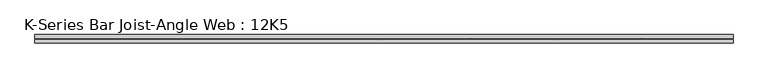
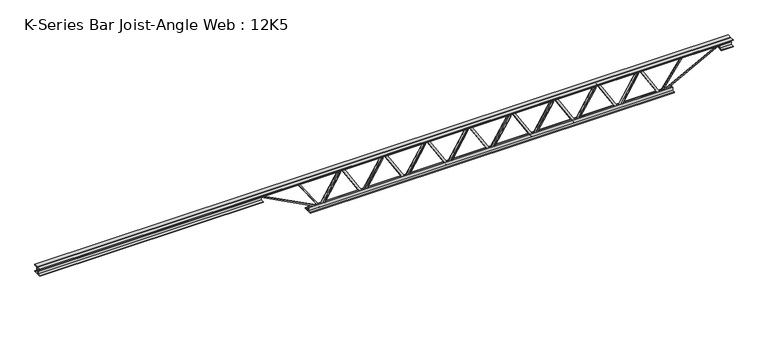
"""IFC4 building model written with IfcOpenShell, lengths in millimetres: beam geometry, K-Series Bar Joist-Angle Web : 12K5."""

import ifcopenshell
import ifcopenshell.guid

model = None  # the IFC model being written
_history = None  # IfcOwnerHistory: only IFC2X3 demands one
_inside = {}  # id of a spatial element -> (the spatial element, [elements in it])
_under = {}  # id of a project, library or spatial element -> (it, [spatial elements below it])
_declared = {}  # id of a project -> (the project, [libraries it declares])
_typed = {}  # id of a type object -> (the type object, [elements of that type])
_made_of = {}  # id of a material, layer set ... -> (it, [elements and type objects made of it])


def new_model(schema):
    """Start an empty IFC model of exactly this schema.

    Asked for "IFC4X3", IfcOpenShell would pick the latest addendum, in which some entities
    have other attributes; the version numbers below select the first issue.
    IFC2X3 requires an IfcOwnerHistory on every rooted entity: one is made here for all.
    """
    global model, _history
    if schema == "IFC4X3":
        model = ifcopenshell.file(schema_version=(4, 3, 0, 0))
    else:
        model = ifcopenshell.file(schema=schema)
    _inside.clear()
    _under.clear()
    _declared.clear()
    _typed.clear()
    _made_of.clear()
    _history = None
    if model.schema == "IFC2X3":
        org = make("IfcOrganization", Name="unknown")
        user = make(
            "IfcPersonAndOrganization",
            ThePerson=make("IfcPerson", FamilyName="unknown"),
            TheOrganization=org,
        )
        app = make(
            "IfcApplication",
            ApplicationDeveloper=org,
            Version="unknown",
            ApplicationFullName="unknown",
            ApplicationIdentifier="unknown",
        )
        _history = make(
            "IfcOwnerHistory",
            OwningUser=user,
            OwningApplication=app,
            ChangeAction="ADDED",
            CreationDate=0,
        )
    return model


def make(cls, **values):
    """One entity of the class cls with the attributes given. An attribute that is None is left unset."""
    return model.create_entity(
        cls, **{name: value for name, value in values.items() if value is not None}
    )


def rooted(cls, **values):
    """An entity with a GlobalId (a new one), such as an element, a storey or a relation."""
    return make(cls, GlobalId=ifcopenshell.guid.new(), OwnerHistory=_history, **values)


def si_unit(unit_type, name, prefix=None):
    """IfcSIUnit, for example si_unit("LENGTHUNIT", "METRE", prefix="MILLI")."""
    return make("IfcSIUnit", UnitType=unit_type, Prefix=prefix, Name=name)


def assignment(units):
    """IfcUnitAssignment: the units of a project."""
    return None if units is None else make("IfcUnitAssignment", Units=units)


def point(xyz):
    """IfcCartesianPoint."""
    return None if xyz is None else make("IfcCartesianPoint", Coordinates=xyz)


def direction(xyz):
    """IfcDirection."""
    return None if xyz is None else make("IfcDirection", DirectionRatios=xyz)


def frame(location, z_axis=None, x_axis=None):
    """IfcAxis2Placement3D, a coordinate frame: its origin and axes. An axis left out is left unset."""
    return make(
        "IfcAxis2Placement3D",
        Location=point(location),
        Axis=direction(z_axis),
        RefDirection=direction(x_axis),
    )


def origin():
    """The frame at (0, 0, 0) with its axes left unset."""
    return frame((0.0, 0.0, 0.0))


def place(relative_to, where):
    """IfcLocalPlacement: puts the frame where relative to a parent placement (None: the world)."""
    return make(
        "IfcLocalPlacement", PlacementRelTo=relative_to, RelativePlacement=where
    )


def context(
    kind, dimensions, precision=None, world=None, true_north=None, identifier=None
):
    """IfcGeometricRepresentationContext, for example the 3D "Model" context."""
    return make(
        "IfcGeometricRepresentationContext",
        ContextIdentifier=identifier,
        ContextType=kind,
        CoordinateSpaceDimension=dimensions,
        Precision=precision,
        WorldCoordinateSystem=world,
        TrueNorth=true_north,
    )


def project(units=None, contexts=None):
    """IfcProject with its units and contexts."""
    return rooted(
        "IfcProject",
        Name="project",
        RepresentationContexts=contexts,
        UnitsInContext=assignment(units),
    )


def spatial(cls, under=None, at=None, **own):
    """A site, building, storey or space (cls), placed at a placement, below another one or the project."""
    s = rooted(cls, ObjectPlacement=at, **own)
    if under is not None:
        _under.setdefault(under.id(), (under, []))[1].append(s)
    return s


def polyline(points):
    """IfcPolyline through the points."""
    return make("IfcPolyline", Points=[point(p) for p in points])


def outline(outer, holes=None, kind="AREA"):
    """IfcArbitraryClosedProfileDef: a profile drawn as a closed curve; with holes, ...WithVoids."""
    if holes is None:
        return make("IfcArbitraryClosedProfileDef", ProfileType=kind, OuterCurve=outer)
    return make(
        "IfcArbitraryProfileDefWithVoids",
        ProfileType=kind,
        OuterCurve=outer,
        InnerCurves=holes,
    )


def extrude(swept, where, along, depth):
    """IfcExtrudedAreaSolid: the profile swept, set in the frame where, extruded along a direction by depth."""
    return make(
        "IfcExtrudedAreaSolid",
        SweptArea=swept,
        Position=where,
        ExtrudedDirection=direction(along),
        Depth=depth,
    )


def faces_of(points, faces, orient=None, outer=None):
    """IfcFace entities. A face is a list of loops; a loop is a list of indices into points, from 0.

    orient and outer hold one flag for each loop. By default every Orientation is true, the
    first loop of a face is its IfcFaceOuterBound and the others are IfcFaceBound.
    """
    made = []
    for i, loops in enumerate(faces):
        bounds = []
        for j, loop in enumerate(loops):
            is_outer = j == 0 if outer is None else outer[i][j]
            bounds.append(
                make(
                    "IfcFaceOuterBound" if is_outer else "IfcFaceBound",
                    Bound=make("IfcPolyLoop", Polygon=[points[k] for k in loop]),
                    Orientation=True if orient is None else orient[i][j],
                )
            )
        made.append(make("IfcFace", Bounds=bounds))
    return made


def faceted_brep(points, faces, orient=None, outer=None, voids=None):
    """IfcFacetedBrep: a solid bounded by flat faces; with voids (closed shells), ...WithVoids."""
    shared = [point(p) for p in points]
    hull = make("IfcClosedShell", CfsFaces=faces_of(shared, faces, orient, outer))
    if voids is None:
        return make("IfcFacetedBrep", Outer=hull)
    return make(
        "IfcFacetedBrepWithVoids",
        Outer=hull,
        Voids=[
            make(cls, CfsFaces=faces_of(shared, fs, o, b)) for cls, fs, o, b in voids
        ],
    )


def shape(context_of_items, identifier, shape_type, items):
    """IfcShapeRepresentation: the items that make up one representation, for example the "Body"."""
    return make(
        "IfcShapeRepresentation",
        ContextOfItems=context_of_items,
        RepresentationIdentifier=identifier,
        RepresentationType=shape_type,
        Items=items,
    )


def source(mapping_origin, context_of_items, identifier, shape_type, items):
    """IfcRepresentationMap: a shape defined once, which mapped items show again and again."""
    return make(
        "IfcRepresentationMap",
        MappingOrigin=mapping_origin,
        MappedRepresentation=shape(context_of_items, identifier, shape_type, items),
    )


def transform(
    local_origin,
    x_axis=None,
    y_axis=None,
    z_axis=None,
    scale=None,
    scale2=None,
    scale3=None,
    uniform=True,
):
    """IfcCartesianTransformationOperator3D, or its non-uniform kind. x_axis, y_axis, z_axis: its Axis1, 2, 3."""
    if uniform:
        return make(
            "IfcCartesianTransformationOperator3D",
            Axis1=direction(x_axis),
            Axis2=direction(y_axis),
            LocalOrigin=point(local_origin),
            Scale=scale,
            Axis3=direction(z_axis),
        )
    return make(
        "IfcCartesianTransformationOperator3DnonUniform",
        Axis1=direction(x_axis),
        Axis2=direction(y_axis),
        LocalOrigin=point(local_origin),
        Scale=scale,
        Axis3=direction(z_axis),
        Scale2=scale2,
        Scale3=scale3,
    )


def mapped(mapping_source, mapping_target):
    """IfcMappedItem: shows the shape of a source again, moved by a transform."""
    return make(
        "IfcMappedItem", MappingSource=mapping_source, MappingTarget=mapping_target
    )


def made_of(thing, what):
    """Note that an element or type object is made of a material, layer set ...; save() writes the relation."""
    if what is not None:
        _made_of.setdefault(what.id(), (what, []))[1].append(thing)
    return thing


def element(
    cls,
    number,
    at=None,
    inside=None,
    cuts=None,
    type_object=None,
    material=None,
    context=None,
    identifier="Body",
    shape_type=None,
    held_by="IfcProductDefinitionShape",
    body=None,
    shapes=None,
    **own,
):
    """One element of the class cls, such as IfcWall. Its Tag is "e" and its number.

    at: its placement. inside: the storey or other place that contains it. cuts: it is an
    opening in that element (IfcRelVoidsElement). A single representation is given by context,
    identifier, shape_type and body (its items); several are given by shapes. held_by: the class
    of the entity that holds the representations. save() writes the other relations.
    """
    e = rooted(cls, Tag="e%d" % number, ObjectPlacement=at, **own)
    if body is not None:
        shapes = [shape(context, identifier, shape_type, body)]
    if shapes is not None:
        e.Representation = make(held_by, Representations=shapes)
    if inside is not None:
        _inside.setdefault(inside.id(), (inside, []))[1].append(e)
    if cuts is not None:
        rooted(
            "IfcRelVoidsElement", RelatingBuildingElement=cuts, RelatedOpeningElement=e
        )
    if type_object is not None:
        _typed.setdefault(type_object.id(), (type_object, []))[1].append(e)
    return made_of(e, material)


def aggregate(whole, parts):
    """IfcRelAggregates: a whole, such as a stair, and the parts it consists of."""
    return rooted("IfcRelAggregates", RelatingObject=whole, RelatedObjects=parts)


def save(model, path):
    """Write the relations noted so far, then the file.

    IfcRelAggregates (storeys below a building ...), IfcRelContainedInSpatialStructure (elements
    in a storey), IfcRelDefinesByType, IfcRelAssociatesMaterial and IfcRelDeclares: one each for
    every whole, place, type object, material and project.
    """
    for whole, parts in _under.values():
        aggregate(whole, parts)
    for where, things in _inside.values():
        rooted(
            "IfcRelContainedInSpatialStructure",
            RelatedElements=things,
            RelatingStructure=where,
        )
    for kind, things in _typed.values():
        rooted("IfcRelDefinesByType", RelatedObjects=things, RelatingType=kind)
    for what, things in _made_of.values():
        rooted("IfcRelAssociatesMaterial", RelatedObjects=things, RelatingMaterial=what)
    for by, libraries in _declared.values():
        rooted("IfcRelDeclares", RelatingContext=by, RelatedDefinitions=libraries)
    model.write(path)


def k_series_bar_joist_angle_web_12k5_e861fc07(model_context):
    return source(origin(), model_context, "Body", "SolidModel", [
        extrude(outline(polyline([(-4.7625, 4.7625001), (-4.7625, 0.0), (-17.4625, 0.0), (-17.4625, 4.7625001), (-4.7625, 4.7625001)])), frame((1070.6192434, 0.0, -114.3), z_axis=(-0.5225762572282218, 0.0, 0.8525925494521656), x_axis=(0.0, -1.0, 0.0)), (0.0, 0.0, 1.0), 268.1233845),
        extrude(outline(polyline([(-149.225, 1103.709375), (-130.175, 1103.709375), (-130.175, 1102.6930612), (149.225, 931.4414987), (149.225, 913.4078125), (130.175, 913.4078125), (130.175, 920.7741263), (-149.225, 1092.0256888), (-149.225, 1103.709375)])), frame((0.0, 0.0, 0.0), z_axis=(0.0, 1.0, 0.0), x_axis=(0.0, 0.0, 1.0)), (0.0, 0.0, 1.0), 4.7625),
        faceted_brep([(735.80625, 0.0, -130.175), (735.80625, 0.0, -149.225), (735.80625, -4.7625, -149.225), (735.80625, -4.7625, -130.175), (736.8225638, 0.0, -130.175), (908.0741263, 0.0, 149.225), (926.1078125, 0.0, 149.225), (926.1078125, 0.0, 130.175), (918.7414987, 0.0, 130.175), (747.4899362, 0.0, -149.225), (747.4899362, -4.7625, -149.225), (768.8963816, -4.7625, -114.3), (764.8359095, -4.7625, -111.8112306), (904.9508243, -4.7625, 116.7887694), (909.0112963, -4.7625, 114.3), (918.7414987, -4.7625, 130.175), (926.1078125, -4.7625, 130.175), (926.1078125, -4.7625, 149.225), (908.0741263, -4.7625, 149.225), (736.8225638, -4.7625, -130.175), (909.0112963, -17.4625, 114.3), (768.8963816, -17.4625, -114.3), (764.8359095, -17.4625, -111.8112306), (904.9508243, -17.4625, 116.7887694)], [[[0, 1, 2, 3]], [[1, 0, 4, 5, 6, 7, 8, 9]], [[2, 1, 9, 10]], [[3, 2, 10, 11, 12, 13, 14, 15, 16, 17, 18, 19]], [[0, 3, 19, 4]], [[9, 8, 15, 14, 20, 21, 11, 10]], [[5, 4, 19, 18]], [[7, 6, 17, 16]], [[8, 7, 16, 15]], [[6, 5, 18, 17]], [[21, 22, 12, 11]], [[20, 14, 13, 23]], [[22, 21, 20, 23]], [[12, 22, 23, 13]]]),
        extrude(outline(polyline([(-4.7625, 4.7625001), (-4.7625, 0.0), (-17.4625, 0.0), (-17.4625, 4.7625001), (-4.7625, 4.7625001)])), frame((702.7161184, 0.0, -114.3), z_axis=(-0.5225762572282218, 0.0, 0.8525925494521656), x_axis=(0.0, -1.0, 0.0)), (0.0, 0.0, 1.0), 268.1233845),
        extrude(outline(polyline([(-149.225, 735.80625), (-130.175, 735.80625), (-130.175, 734.7899362), (149.225, 563.5383737), (149.225, 545.5046875), (130.175, 545.5046875), (130.175, 552.8710013), (-149.225, 724.1225638), (-149.225, 735.80625)])), frame((0.0, 0.0, 0.0), z_axis=(0.0, 1.0, 0.0), x_axis=(0.0, 0.0, 1.0)), (0.0, 0.0, 1.0), 4.7625),
        faceted_brep([(367.903125, 0.0, -130.175), (367.903125, 0.0, -149.225), (367.903125, -4.7625, -149.225), (367.903125, -4.7625, -130.175), (368.9194388, 0.0, -130.175), (540.1710013, 0.0, 149.225), (558.2046875, 0.0, 149.225), (558.2046875, 0.0, 130.175), (550.8383737, 0.0, 130.175), (379.5868112, 0.0, -149.225), (379.5868112, -4.7625, -149.225), (400.9932566, -4.7625, -114.3), (396.9327845, -4.7625, -111.8112306), (537.0476993, -4.7625, 116.7887694), (541.1081713, -4.7625, 114.3), (550.8383737, -4.7625, 130.175), (558.2046875, -4.7625, 130.175), (558.2046875, -4.7625, 149.225), (540.1710013, -4.7625, 149.225), (368.9194388, -4.7625, -130.175), (541.1081713, -17.4625, 114.3), (400.9932566, -17.4625, -114.3), (396.9327845, -17.4625, -111.8112306), (537.0476993, -17.4625, 116.7887694)], [[[0, 1, 2, 3]], [[1, 0, 4, 5, 6, 7, 8, 9]], [[2, 1, 9, 10]], [[3, 2, 10, 11, 12, 13, 14, 15, 16, 17, 18, 19]], [[0, 3, 19, 4]], [[9, 8, 15, 14, 20, 21, 11, 10]], [[5, 4, 19, 18]], [[7, 6, 17, 16]], [[8, 7, 16, 15]], [[6, 5, 18, 17]], [[21, 22, 12, 11]], [[20, 14, 13, 23]], [[22, 21, 20, 23]], [[12, 22, 23, 13]]]),
        extrude(outline(polyline([(-4.7625, 4.7625001), (-4.7625, 0.0), (-17.4625, 0.0), (-17.4625, 4.7625001), (-4.7625, 4.7625001)])), frame((334.8129934, 0.0, -114.3), z_axis=(-0.5225762572282218, 0.0, 0.8525925494521656), x_axis=(0.0, -1.0, 0.0)), (0.0, 0.0, 1.0), 268.1233845),
        extrude(outline(polyline([(-149.225, 367.903125), (-130.175, 367.903125), (-130.175, 366.8868112), (149.225, 195.6352487), (149.225, 177.6015625), (130.175, 177.6015625), (130.175, 184.9678763), (-149.225, 356.2194388), (-149.225, 367.903125)])), frame((0.0, 0.0, 0.0), z_axis=(0.0, 1.0, 0.0), x_axis=(0.0, 0.0, 1.0)), (0.0, 0.0, 1.0), 4.7625),
        faceted_brep([(0.0, 0.0, -130.175), (0.0, 0.0, -149.225), (0.0, -4.7625, -149.225), (0.0, -4.7625, -130.175), (1.0163138, 0.0, -130.175), (172.2678763, 0.0, 149.225), (190.3015625, 0.0, 149.225), (190.3015625, 0.0, 130.175), (182.9352487, 0.0, 130.175), (11.6836862, 0.0, -149.225), (11.6836862, -4.7625, -149.225), (33.0901316, -4.7625, -114.3), (29.0296595, -4.7625, -111.8112306), (169.1445743, -4.7625, 116.7887694), (173.2050463, -4.7625, 114.3), (182.9352487, -4.7625, 130.175), (190.3015625, -4.7625, 130.175), (190.3015625, -4.7625, 149.225), (172.2678763, -4.7625, 149.225), (1.0163138, -4.7625, -130.175), (173.2050463, -17.4625, 114.3), (33.0901316, -17.4625, -114.3), (29.0296595, -17.4625, -111.8112306), (169.1445743, -17.4625, 116.7887694)], [[[0, 1, 2, 3]], [[1, 0, 4, 5, 6, 7, 8, 9]], [[2, 1, 9, 10]], [[3, 2, 10, 11, 12, 13, 14, 15, 16, 17, 18, 19]], [[0, 3, 19, 4]], [[9, 8, 15, 14, 20, 21, 11, 10]], [[5, 4, 19, 18]], [[7, 6, 17, 16]], [[8, 7, 16, 15]], [[6, 5, 18, 17]], [[21, 22, 12, 11]], [[20, 14, 13, 23]], [[22, 21, 20, 23]], [[12, 22, 23, 13]]]),
        extrude(outline(polyline([(-4.7625, 4.7625001), (-4.7625, 0.0), (-17.4625, 0.0), (-17.4625, 4.7625001), (-4.7625, 4.7625001)])), frame((-33.0901316, 0.0, -114.3), z_axis=(-0.5225762572282218, 0.0, 0.8525925494521656), x_axis=(0.0, -1.0, 0.0)), (0.0, 0.0, 1.0), 268.1233845),
        extrude(outline(polyline([(-149.225, 0.0), (-130.175, 0.0), (-130.175, -1.0163138), (149.225, -172.2678763), (149.225, -190.3015625), (130.175, -190.3015625), (130.175, -182.9352487), (-149.225, -11.6836862), (-149.225, 0.0)])), frame((0.0, 0.0, 0.0), z_axis=(0.0, 1.0, 0.0), x_axis=(0.0, 0.0, 1.0)), (0.0, 0.0, 1.0), 4.7625),
        faceted_brep([(-367.903125, 0.0, -130.175), (-367.903125, 0.0, -149.225), (-367.903125, -4.7625, -149.225), (-367.903125, -4.7625, -130.175), (-366.8868112, 0.0, -130.175), (-195.6352487, 0.0, 149.225), (-177.6015625, 0.0, 149.225), (-177.6015625, 0.0, 130.175), (-184.9678763, 0.0, 130.175), (-356.2194388, 0.0, -149.225), (-356.2194388, -4.7625, -149.225), (-334.8129934, -4.7625, -114.3), (-338.8734655, -4.7625, -111.8112306), (-198.7585507, -4.7625, 116.7887694), (-194.6980787, -4.7625, 114.3), (-184.9678763, -4.7625, 130.175), (-177.6015625, -4.7625, 130.175), (-177.6015625, -4.7625, 149.225), (-195.6352487, -4.7625, 149.225), (-366.8868112, -4.7625, -130.175), (-194.6980787, -17.4625, 114.3), (-334.8129934, -17.4625, -114.3), (-338.8734655, -17.4625, -111.8112306), (-198.7585507, -17.4625, 116.7887694)], [[[0, 1, 2, 3]], [[1, 0, 4, 5, 6, 7, 8, 9]], [[2, 1, 9, 10]], [[3, 2, 10, 11, 12, 13, 14, 15, 16, 17, 18, 19]], [[0, 3, 19, 4]], [[9, 8, 15, 14, 20, 21, 11, 10]], [[5, 4, 19, 18]], [[7, 6, 17, 16]], [[8, 7, 16, 15]], [[6, 5, 18, 17]], [[21, 22, 12, 11]], [[20, 14, 13, 23]], [[22, 21, 20, 23]], [[12, 22, 23, 13]]]),
        extrude(outline(polyline([(-4.7625, 4.7625001), (-4.7625, 0.0), (-17.4625, 0.0), (-17.4625, 4.7625001), (-4.7625, 4.7625001)])), frame((-400.9932566, 0.0, -114.3), z_axis=(-0.5225762572282218, 0.0, 0.8525925494521656), x_axis=(0.0, -1.0, 0.0)), (0.0, 0.0, 1.0), 268.1233845),
        extrude(outline(polyline([(-149.225, -367.903125), (-130.175, -367.903125), (-130.175, -368.9194388), (149.225, -540.1710013), (149.225, -558.2046875), (130.175, -558.2046875), (130.175, -550.8383737), (-149.225, -379.5868112), (-149.225, -367.903125)])), frame((0.0, 0.0, 0.0), z_axis=(0.0, 1.0, 0.0), x_axis=(0.0, 0.0, 1.0)), (0.0, 0.0, 1.0), 4.7625),
        faceted_brep([(-735.80625, 0.0, -130.175), (-735.80625, 0.0, -149.225), (-735.80625, -4.7625, -149.225), (-735.80625, -4.7625, -130.175), (-734.7899362, 0.0, -130.175), (-563.5383737, 0.0, 149.225), (-545.5046875, 0.0, 149.225), (-545.5046875, 0.0, 130.175), (-552.8710013, 0.0, 130.175), (-724.1225638, 0.0, -149.225), (-724.1225638, -4.7625, -149.225), (-702.7161184, -4.7625, -114.3), (-706.7765905, -4.7625, -111.8112306), (-566.6616757, -4.7625, 116.7887694), (-562.6012037, -4.7625, 114.3), (-552.8710013, -4.7625, 130.175), (-545.5046875, -4.7625, 130.175), (-545.5046875, -4.7625, 149.225), (-563.5383737, -4.7625, 149.225), (-734.7899362, -4.7625, -130.175), (-562.6012037, -17.4625, 114.3), (-702.7161184, -17.4625, -114.3), (-706.7765905, -17.4625, -111.8112306), (-566.6616757, -17.4625, 116.7887694)], [[[0, 1, 2, 3]], [[1, 0, 4, 5, 6, 7, 8, 9]], [[2, 1, 9, 10]], [[3, 2, 10, 11, 12, 13, 14, 15, 16, 17, 18, 19]], [[0, 3, 19, 4]], [[9, 8, 15, 14, 20, 21, 11, 10]], [[5, 4, 19, 18]], [[7, 6, 17, 16]], [[8, 7, 16, 15]], [[6, 5, 18, 17]], [[21, 22, 12, 11]], [[20, 14, 13, 23]], [[22, 21, 20, 23]], [[12, 22, 23, 13]]]),
        extrude(outline(polyline([(-4.7625, 4.7625001), (-4.7625, 0.0), (-17.4625, 0.0), (-17.4625, 4.7625001), (-4.7625, 4.7625001)])), frame((-768.8963816, 0.0, -114.3), z_axis=(-0.5225762572282218, 0.0, 0.8525925494521656), x_axis=(0.0, -1.0, 0.0)), (0.0, 0.0, 1.0), 268.1233845),
        extrude(outline(polyline([(-149.225, -735.80625), (-130.175, -735.80625), (-130.175, -736.8225638), (149.225, -908.0741263), (149.225, -926.1078125), (130.175, -926.1078125), (130.175, -918.7414987), (-149.225, -747.4899362), (-149.225, -735.80625)])), frame((0.0, 0.0, 0.0), z_axis=(0.0, 1.0, 0.0), x_axis=(0.0, 0.0, 1.0)), (0.0, 0.0, 1.0), 4.7625),
        faceted_brep([(-1103.709375, 0.0, -130.175), (-1103.709375, 0.0, -149.225), (-1103.709375, -4.7625, -149.225), (-1103.709375, -4.7625, -130.175), (-1102.6930612, 0.0, -130.175), (-931.4414987, 0.0, 149.225), (-913.4078125, 0.0, 149.225), (-913.4078125, 0.0, 130.175), (-920.7741263, 0.0, 130.175), (-1092.0256888, 0.0, -149.225), (-1092.0256888, -4.7625, -149.225), (-1070.6192434, -4.7625, -114.3), (-1074.6797155, -4.7625, -111.8112306), (-934.5648007, -4.7625, 116.7887694), (-930.5043287, -4.7625, 114.3), (-920.7741263, -4.7625, 130.175), (-913.4078125, -4.7625, 130.175), (-913.4078125, -4.7625, 149.225), (-931.4414987, -4.7625, 149.225), (-1102.6930612, -4.7625, -130.175), (-930.5043287, -17.4625, 114.3), (-1070.6192434, -17.4625, -114.3), (-1074.6797155, -17.4625, -111.8112306), (-934.5648007, -17.4625, 116.7887694)], [[[0, 1, 2, 3]], [[1, 0, 4, 5, 6, 7, 8, 9]], [[2, 1, 9, 10]], [[3, 2, 10, 11, 12, 13, 14, 15, 16, 17, 18, 19]], [[0, 3, 19, 4]], [[9, 8, 15, 14, 20, 21, 11, 10]], [[5, 4, 19, 18]], [[7, 6, 17, 16]], [[8, 7, 16, 15]], [[6, 5, 18, 17]], [[21, 22, 12, 11]], [[20, 14, 13, 23]], [[22, 21, 20, 23]], [[12, 22, 23, 13]]]),
        extrude(outline(polyline([(-4.7625, 4.7625001), (-4.7625, 0.0), (-17.4625, 0.0), (-17.4625, 4.7625001), (-4.7625, 4.7625001)])), frame((1438.5223684, 0.0, -114.3), z_axis=(-0.5225762572282218, 0.0, 0.8525925494521656), x_axis=(0.0, -1.0, 0.0)), (0.0, 0.0, 1.0), 268.1233845),
        extrude(outline(polyline([(-149.225, 1471.6125), (-130.175, 1471.6125), (-130.175, 1470.5961862), (149.225, 1299.3446237), (149.225, 1281.3109375), (130.175, 1281.3109375), (130.175, 1288.6772513), (-149.225, 1459.9288138), (-149.225, 1471.6125)])), frame((0.0, 0.0, 0.0), z_axis=(0.0, 1.0, 0.0), x_axis=(0.0, 0.0, 1.0)), (0.0, 0.0, 1.0), 4.7625),
        faceted_brep([(1103.709375, 0.0, -130.175), (1103.709375, 0.0, -149.225), (1103.709375, -4.7625, -149.225), (1103.709375, -4.7625, -130.175), (1104.7256888, 0.0, -130.175), (1275.9772513, 0.0, 149.225), (1294.0109375, 0.0, 149.225), (1294.0109375, 0.0, 130.175), (1286.6446237, 0.0, 130.175), (1115.3930612, 0.0, -149.225), (1115.3930612, -4.7625, -149.225), (1136.7995066, -4.7625, -114.3), (1132.7390345, -4.7625, -111.8112306), (1272.8539493, -4.7625, 116.7887694), (1276.9144213, -4.7625, 114.3), (1286.6446237, -4.7625, 130.175), (1294.0109375, -4.7625, 130.175), (1294.0109375, -4.7625, 149.225), (1275.9772513, -4.7625, 149.225), (1104.7256888, -4.7625, -130.175), (1276.9144213, -17.4625, 114.3), (1136.7995066, -17.4625, -114.3), (1132.7390345, -17.4625, -111.8112306), (1272.8539493, -17.4625, 116.7887694)], [[[0, 1, 2, 3]], [[1, 0, 4, 5, 6, 7, 8, 9]], [[2, 1, 9, 10]], [[3, 2, 10, 11, 12, 13, 14, 15, 16, 17, 18, 19]], [[0, 3, 19, 4]], [[9, 8, 15, 14, 20, 21, 11, 10]], [[5, 4, 19, 18]], [[7, 6, 17, 16]], [[8, 7, 16, 15]], [[6, 5, 18, 17]], [[21, 22, 12, 11]], [[20, 14, 13, 23]], [[22, 21, 20, 23]], [[12, 22, 23, 13]]]),
        extrude(outline(polyline([(-4.7625, 4.7625001), (-4.7625, 0.0), (-17.4625, 0.0), (-17.4625, 4.7625001), (-4.7625, 4.7625001)])), frame((-1136.7995066, 0.0, -114.3), z_axis=(-0.5225762572282218, 0.0, 0.8525925494521656), x_axis=(0.0, -1.0, 0.0)), (0.0, 0.0, 1.0), 268.1233845),
        extrude(outline(polyline([(-149.225, -1103.709375), (-130.175, -1103.709375), (-130.175, -1104.7256888), (149.225, -1275.9772513), (149.225, -1294.0109375), (130.175, -1294.0109375), (130.175, -1286.6446237), (-149.225, -1115.3930612), (-149.225, -1103.709375)])), frame((0.0, 0.0, 0.0), z_axis=(0.0, 1.0, 0.0), x_axis=(0.0, 0.0, 1.0)), (0.0, 0.0, 1.0), 4.7625),
        faceted_brep([(-1471.6125, 0.0, -130.175), (-1471.6125, 0.0, -149.225), (-1471.6125, -4.7625, -149.225), (-1471.6125, -4.7625, -130.175), (-1470.5961862, 0.0, -130.175), (-1299.3446237, 0.0, 149.225), (-1281.3109375, 0.0, 149.225), (-1281.3109375, 0.0, 130.175), (-1288.6772513, 0.0, 130.175), (-1459.9288138, 0.0, -149.225), (-1459.9288138, -4.7625, -149.225), (-1438.5223684, -4.7625, -114.3), (-1442.5828405, -4.7625, -111.8112306), (-1302.4679257, -4.7625, 116.7887694), (-1298.4074537, -4.7625, 114.3), (-1288.6772513, -4.7625, 130.175), (-1281.3109375, -4.7625, 130.175), (-1281.3109375, -4.7625, 149.225), (-1299.3446237, -4.7625, 149.225), (-1470.5961862, -4.7625, -130.175), (-1298.4074537, -17.4625, 114.3), (-1438.5223684, -17.4625, -114.3), (-1442.5828405, -17.4625, -111.8112306), (-1302.4679257, -17.4625, 116.7887694)], [[[0, 1, 2, 3]], [[1, 0, 4, 5, 6, 7, 8, 9]], [[2, 1, 9, 10]], [[3, 2, 10, 11, 12, 13, 14, 15, 16, 17, 18, 19]], [[0, 3, 19, 4]], [[9, 8, 15, 14, 20, 21, 11, 10]], [[5, 4, 19, 18]], [[7, 6, 17, 16]], [[8, 7, 16, 15]], [[6, 5, 18, 17]], [[21, 22, 12, 11]], [[20, 14, 13, 23]], [[22, 21, 20, 23]], [[12, 22, 23, 13]]]),
        extrude(outline(polyline([(4.7625, 152.4), (36.5125, 152.4), (36.5125, 146.05), (11.1125, 146.05), (11.1125, 120.65), (4.7625, 120.65), (4.7625, 152.4)])), frame((-3910.0125, 0.0, 0.0), z_axis=(1.0, 0.0, 0.0), x_axis=(0.0, 1.0, 0.0)), (0.0, 0.0, 1.0), 5991.225),
        extrude(outline(polyline([(-4.7625, 152.4), (-4.7625, 120.65), (-11.1125, 120.65), (-11.1125, 146.05), (-36.5125, 146.05), (-36.5125, 152.4), (-4.7625, 152.4)])), frame((-3910.0125, 0.0, 0.0), z_axis=(1.0, 0.0, 0.0), x_axis=(0.0, 1.0, 0.0)), (0.0, 0.0, 1.0), 5991.225),
        extrude(outline(polyline([(-4.7625, 88.9), (-36.5125, 88.9), (-36.5125, 95.25), (-11.1125, 95.25), (-11.1125, 120.65), (-4.7625, 120.65), (-4.7625, 88.9)])), frame((-3910.0125, 0.0, 0.0), z_axis=(1.0, 0.0, 0.0), x_axis=(0.0, 1.0, 0.0)), (0.0, 0.0, 1.0), 1930.4),
        extrude(outline(polyline([(36.5125, 88.9), (4.7625, 88.9), (4.7625, 120.65), (11.1125, 120.65), (11.1125, 95.25), (36.5125, 95.25), (36.5125, 88.9)])), frame((-3910.0125, 0.0, 0.0), z_axis=(1.0, 0.0, 0.0), x_axis=(0.0, 1.0, 0.0)), (0.0, 0.0, 1.0), 1930.4),
        extrude(outline(polyline([(4.7625, 88.9), (4.7625, 120.65), (11.1125, 120.65), (11.1125, 95.25), (36.5125, 95.25), (36.5125, 88.9), (4.7625, 88.9)])), frame((1979.6125, 0.0, 0.0), z_axis=(1.0, 0.0, 0.0), x_axis=(0.0, 1.0, 0.0)), (0.0, 0.0, 1.0), 101.6),
        extrude(outline(polyline([(-4.7625, 88.9), (-36.5125, 88.9), (-36.5125, 95.25), (-11.1125, 95.25), (-11.1125, 120.65), (-4.7625, 120.65), (-4.7625, 88.9)])), frame((1979.6125, 0.0, 0.0), z_axis=(1.0, 0.0, 0.0), x_axis=(0.0, 1.0, 0.0)), (0.0, 0.0, 1.0), 101.6),
        extrude(outline(polyline([(4.7625, -152.4), (4.7625, -120.65), (11.1125, -120.65), (11.1125, -146.05), (36.5125, -146.05), (36.5125, -152.4), (4.7625, -152.4)])), frame((-1573.2125, 0.0, 0.0), z_axis=(1.0, 0.0, 0.0), x_axis=(0.0, 1.0, 0.0)), (0.0, 0.0, 1.0), 3146.425),
        extrude(outline(polyline([(-4.7625, -152.4), (-36.5125, -152.4), (-36.5125, -146.05), (-11.1125, -146.05), (-11.1125, -120.65), (-4.7625, -120.65), (-4.7625, -152.4)])), frame((-1573.2125, 0.0, 0.0), z_axis=(1.0, 0.0, 0.0), x_axis=(0.0, 1.0, 0.0)), (0.0, 0.0, 1.0), 3146.425),
        extrude(outline(polyline([(4.7625, 4.7625), (4.7625, -4.7625), (-4.7625, -4.7625), (-4.7625, 4.7625), (4.7625, 4.7625)])), frame((1471.6125, 0.0, -146.05), z_axis=(0.5677758933162309, 0.0, 0.823183172185241), x_axis=(0.0, -1.0, 0.0)), (0.0, 0.0, 1.0), 323.9862147),
        extrude(outline(polyline([(4.7625, 4.7625), (4.7625, -4.7625), (-4.7625, -4.7625), (-4.7625, 4.7625), (4.7625, 4.7625)])), frame((-1471.6125, 0.0, -146.05), z_axis=(-0.5677758933161917, 0.0, 0.823183172185268), x_axis=(0.0, -1.0, 0.0)), (0.0, 0.0, 1.0), 323.9862147),
        extrude(outline(polyline([(0.0, -9.525), (0.0, 0.0), (573.7533355, 0.0), (573.7533355, -9.525), (0.0, -9.525)])), frame((1981.8262714, -4.7625, 116.4332925), z_axis=(-0.46483389898932437, 0.0, 0.8853979028382565), x_axis=(-0.8853979028382565, 0.0, -0.46483389898932437)), (0.0, 0.0, 1.0), 9.525),
        extrude(outline(polyline([(0.0, -9.525), (0.0, 0.0), (573.7533355, 0.0), (573.7533355, -9.525), (0.0, -9.525)])), frame((-1981.8262714, 4.7625, 116.4332925), z_axis=(0.46483389898932054, 0.0, 0.8853979028382585), x_axis=(0.8853979028382585, 0.0, -0.46483389898932054)), (0.0, 0.0, 1.0), 9.525),
    ])


if __name__ == "__main__":
    model = new_model("IFC4")
    model_context = context("Model", 3, world=origin())
    ifc_project = project(units=[si_unit("LENGTHUNIT", "METRE", prefix="MILLI")], contexts=[model_context])
    site = spatial("IfcSite", under=ifc_project)
    building = spatial("IfcBuilding", under=site)
    placement = place(None, origin())
    k_series_bar_joist_angle_web_12k5_shape = k_series_bar_joist_angle_web_12k5_e861fc07(model_context)
    element("IfcBeam", 1, ObjectType="K-Series Bar Joist-Angle Web : 12K5", at=placement, inside=building, context=model_context, shape_type="MappedRepresentation", body=[
        mapped(k_series_bar_joist_angle_web_12k5_shape, transform((0.0, 0.0, 0.0), x_axis=(1.0, 0.0, 0.0), y_axis=(0.0, 1.0, 0.0), z_axis=(0.0, 0.0, 1.0))),
    ])
    save(model, "model.ifc")
